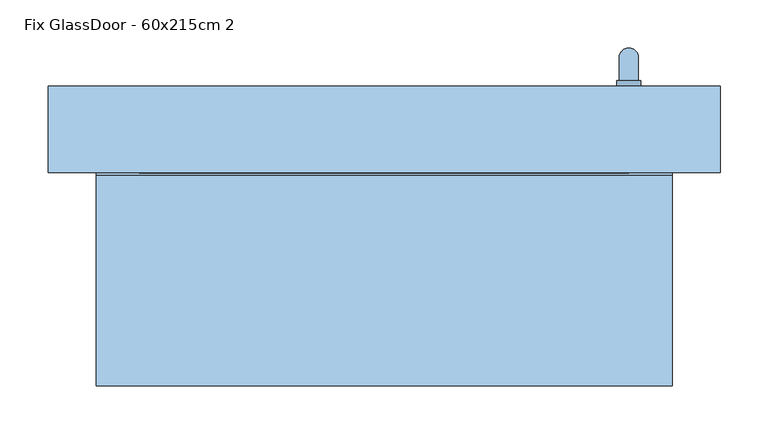
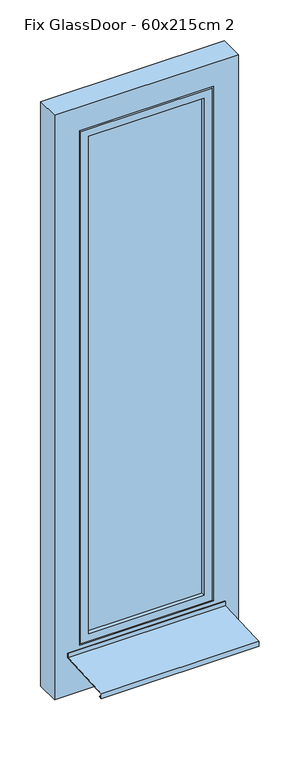
"""IFC4 building model written with IfcOpenShell, lengths in millimetres: window geometry, Fix GlassDoor - 60x215cm 2."""

from ifc_helpers import new_model, si_unit, frame, origin, place, context, project, spatial, polyline, circle_curve, ellipse_curve, outline, extrude, faceted_brep, source, transform, mapped, element, save
from ifc_brep_helpers import plane_surface, cylinder_surface, advanced_brep


def fix_glassdoor_60x215cm_2_119420f9(model_context):
    return source(origin(), model_context, "Body", "SolidModel", [
        advanced_brep(
        [(242.5, -35.0, 1087.5), (242.5, -35.0, 1070.0), (242.5, -35.0, 1052.5), (267.5, -35.0, 1052.5), (267.5, -35.0, 1070.0), (267.5, -35.0, 1087.5), (265.0, -5.0, 1070.0), (245.0, -5.0, 1070.0), (245.0, -29.0, 1070.0), (265.0, -29.0, 1070.0), (265.0, -5.0, 950.0), (245.0, -5.0, 950.0), (242.5, -29.0, 1087.5), (267.5, -29.0, 1087.5), (267.5, -29.0, 1070.0), (267.5, -29.0, 1052.5), (242.5, -29.0, 1052.5), (242.5, -29.0, 1070.0)],
        [
            (0, 1),
            (1, 2),
            (2, 3, circle_curve(frame((255.0, -35.0, 1052.5), z_axis=(0.0, -1.0, 0.0), x_axis=(-1.0, 0.0, 0.0)), 12.5)),
            (3, 4),
            (4, 5),
            (5, 0, circle_curve(frame((255.0, -35.0, 1087.5), z_axis=(0.0, -1.0, 0.0), x_axis=(-1.0, 0.0, 0.0)), 12.5)),
            (6, 7, ellipse_curve(frame((255.0, -5.0, 1070.0), z_axis=(0.0, -0.7071067811865498, 0.7071067811865451), x_axis=(0.0, -0.7071067811865452, -0.7071067811865497)), 14.1421356, 10.0)),
            (7, 8),
            (8, 9, circle_curve(frame((255.0, -29.0, 1070.0), z_axis=(0.0, 1.0, 0.0), x_axis=(-1.0, 0.0, 0.0)), 10.0)),
            (9, 6),
            (7, 6, ellipse_curve(frame((255.0, -5.0, 1070.0), z_axis=(0.0, -0.7071067811865498, 0.7071067811865451), x_axis=(0.0, -0.7071067811865452, -0.7071067811865497)), 14.1421356, 10.0)),
            (9, 8, circle_curve(frame((255.0, -29.0, 1070.0), z_axis=(0.0, 1.0, 0.0), x_axis=(-1.0, 0.0, 0.0)), 10.0)),
            (10, 11, circle_curve(frame((255.0, -5.0, 950.0), z_axis=(0.0, 0.0, -1.0), x_axis=(-1.0, 0.0, 0.0)), 10.0)),
            (11, 10, circle_curve(frame((255.0, -5.0, 950.0), z_axis=(0.0, 0.0, -1.0), x_axis=(-1.0, 0.0, 0.0)), 10.0)),
            (6, 10),
            (11, 7),
            (12, 13, circle_curve(frame((255.0, -29.0, 1087.5), z_axis=(0.0, 1.0, 0.0), x_axis=(-1.0, 0.0, 0.0)), 12.5)),
            (13, 14),
            (14, 15),
            (15, 16, circle_curve(frame((255.0, -29.0, 1052.5), z_axis=(0.0, 1.0, 0.0), x_axis=(-1.0, 0.0, 0.0)), 12.5)),
            (16, 17),
            (17, 12),
            (12, 0),
            (5, 13),
            (4, 14),
            (3, 15),
            (2, 16),
            (1, 17),
        ],
        [
            plane_surface(frame((255.0, -35.0, 1070.0), z_axis=(0.0, -1.0, 0.0), x_axis=(-1.0, 0.0, 0.0))),
            cylinder_surface(frame((255.0, -35.0, 1070.0), z_axis=(0.0, -1.0, 0.0), x_axis=(-1.0, 0.0, 0.0)), 10.0),
            plane_surface(frame((255.0, -5.0, 950.0), z_axis=(0.0, 0.0, -1.0), x_axis=(-1.0, 0.0, 0.0))),
            cylinder_surface(frame((255.0, -5.0, 1070.0), z_axis=(0.0, 0.0, 1.0), x_axis=(-1.0, 0.0, 0.0)), 10.0),
            plane_surface(frame((242.5, -29.0, 1087.5), z_axis=(0.0, 1.0, 0.0), x_axis=(0.0, 0.0, 1.0))),
            cylinder_surface(frame((255.0, -35.0, 1087.5), z_axis=(0.0, 1.0, 0.0), x_axis=(-1.0, 0.0, 0.0)), 12.5),
            plane_surface(frame((267.5, -29.0, 1087.5), z_axis=(1.0, 0.0, 0.0), x_axis=(0.0, -1.0, 0.0))),
            plane_surface(frame((267.5, -29.0, 1070.0), z_axis=(1.0, 0.0, 0.0), x_axis=(0.0, -1.0, 0.0))),
            cylinder_surface(frame((255.0, -35.0, 1052.5), z_axis=(0.0, 1.0, 0.0), x_axis=(-1.0, 0.0, 0.0)), 12.5),
            plane_surface(frame((242.5, -29.0, 1052.5), z_axis=(-1.0, 0.0, 0.0), x_axis=(0.0, -1.0, 0.0))),
            plane_surface(frame((242.5, -29.0, 1070.0), z_axis=(-1.0, 0.0, 0.0), x_axis=(0.0, -1.0, 0.0))),
        ],
        [
            (0, [[1, 2, 3, 4, 5, 6]]),
            (1, [[7, 8, 9, 10]]),
            (1, [[11, -10, 12, -8]]),
            (2, [[13, 14]]),
            (3, [[-7, 15, -14, 16]]),
            (3, [[-11, -16, -13, -15]]),
            (4, [[17, 18, 19, 20, 21, 22], [-9, -12]]),
            (5, [[-17, 23, -6, 24]]),
            (6, [[-18, -24, -5, 25]]),
            (7, [[-19, -25, -4, 26]]),
            (8, [[-20, -26, -3, 27]]),
            (9, [[-21, -27, -2, 28]]),
            (10, [[-22, -28, -1, -23]]),
        ],
    ),
        faceted_brep([(-220.0, -35.0, 2070.0), (-220.0, -125.0, 2070.0), (-220.0, -125.0, 70.0), (-220.0, -35.0, 70.0), (-250.0, -125.0, 40.0), (250.0, -125.0, 40.0), (250.0, -125.0, 2100.0), (-250.0, -125.0, 2100.0), (220.0, -125.0, 2070.0), (220.0, -125.0, 70.0), (220.0, -35.0, 70.0), (-290.0, -35.0, 2140.0), (290.0, -35.0, 2140.0), (290.0, -35.0, 0.0), (-290.0, -35.0, 0.0), (220.0, -35.0, 2070.0), (-290.0, -50.0, 2140.0), (-290.0, -50.0, 0.0), (290.0, -50.0, 0.0), (290.0, -50.0, 2140.0), (-275.0, -50.0, 2125.0), (275.0, -50.0, 2125.0), (275.0, -50.0, 15.0), (-275.0, -50.0, 15.0), (-275.0, -80.0, 2125.0), (-275.0, -80.0, 15.0), (275.0, -80.0, 15.0), (275.0, -80.0, 2125.0), (-265.0, -80.0, 2115.0), (265.0, -80.0, 2115.0), (265.0, -80.0, 25.0), (-265.0, -80.0, 25.0), (-265.0, -110.0, 2115.0), (-265.0, -110.0, 25.0), (265.0, -110.0, 25.0), (265.0, -110.0, 2115.0), (-250.0, -110.0, 2100.0), (250.0, -110.0, 2100.0), (250.0, -110.0, 40.0), (-250.0, -110.0, 40.0)], [[[0, 1, 2, 3]], [[4, 5, 6, 7], [1, 8, 9, 2]], [[3, 2, 9, 10]], [[11, 12, 13, 14], [3, 10, 15, 0]], [[16, 11, 14, 17]], [[17, 14, 13, 18]], [[17, 18, 19, 16], [20, 21, 22, 23]], [[24, 20, 23, 25]], [[25, 23, 22, 26]], [[25, 26, 27, 24], [28, 29, 30, 31]], [[32, 28, 31, 33]], [[33, 31, 30, 34]], [[33, 34, 35, 32], [36, 37, 38, 39]], [[7, 36, 39, 4]], [[4, 39, 38, 5]], [[10, 9, 8, 15]], [[18, 13, 12, 19]], [[26, 22, 21, 27]], [[34, 30, 29, 35]], [[5, 38, 37, 6]], [[15, 8, 1, 0]], [[19, 12, 11, 16]], [[27, 21, 20, 24]], [[35, 29, 28, 32]], [[6, 37, 36, 7]]]),
        extrude(outline(polyline([(-220.0, -110.0), (-220.0, -66.0), (220.0, -66.0), (220.0, -110.0), (-220.0, -110.0)])), frame((0.0, 0.0, 70.0), z_axis=(0.0, 0.0, 1.0), x_axis=(1.0, 0.0, 0.0)), (0.0, 0.0, 1.0), 2000.0),
        faceted_brep([(-300.0, -347.0, -9.0998752), (300.0, -347.0, -9.0998752), (300.0, -325.0, -7.9998752), (300.0, -127.0, 1.9001248), (-300.0, -127.0, 1.9001248), (-300.0, -325.0, -7.9998752), (-300.0, -347.0, -29.0998752), (300.0, -347.0, -29.0998752), (-300.0, -335.0, -29.0998752), (300.0, -335.0, -29.0998752), (-300.0, -335.0, -27.0998752), (300.0, -335.0, -27.0998752), (-300.0, -345.0, -27.0998752), (300.0, -345.0, -27.0998752), (-300.0, -345.0, -11.0), (300.0, -345.0, -11.0), (-300.0, -325.0, -10.0), (-300.0, -125.0, 0.0), (300.0, -125.0, 0.0), (300.0, -325.0, -10.0), (-300.0, -125.0, 20.0), (300.0, -125.0, 20.0), (-300.0, -127.0, 20.0), (300.0, -127.0, 20.0)], [[[0, 1, 2, 3, 4, 5]], [[6, 7, 1, 0]], [[8, 9, 7, 6]], [[10, 11, 9, 8]], [[12, 13, 11, 10]], [[14, 15, 13, 12]], [[16, 17, 18, 19, 15, 14]], [[20, 21, 18, 17]], [[22, 23, 21, 20]], [[4, 3, 23, 22]], [[16, 14, 12, 10, 8, 6, 0, 5]], [[19, 18, 21, 23, 3, 2]], [[5, 4, 22, 20, 17, 16]], [[2, 1, 7, 9, 11, 13, 15, 19]]]),
        faceted_brep([(350.0, -125.0, -150.0), (-350.0, -125.0, -150.0), (-350.0, -35.0, -150.0), (350.0, -35.0, -150.0), (350.0, -125.0, 2200.0), (350.0, -35.0, 2200.0), (-350.0, -35.0, 2200.0), (295.0, -35.0, 2145.0), (-295.0, -35.0, 2145.0), (-295.0, -35.0, -5.0), (295.0, -35.0, -5.0), (-350.0, -125.0, 2200.0), (255.0, -125.0, 35.0), (-255.0, -125.0, 35.0), (-255.0, -125.0, 2105.0), (255.0, -125.0, 2105.0), (255.0, -110.0, 2105.0), (255.0, -110.0, 35.0), (-255.0, -110.0, 35.0), (-255.0, -110.0, 2105.0), (295.0, -50.0, 2145.0), (295.0, -50.0, -5.0), (-295.0, -50.0, -5.0), (-295.0, -50.0, 2145.0), (280.0, -50.0, 2130.0), (-280.0, -50.0, 2130.0), (-280.0, -50.0, 10.0), (280.0, -50.0, 10.0), (280.0, -80.0, 10.0), (-280.0, -80.0, 10.0), (-280.0, -80.0, 2130.0), (280.0, -80.0, 2130.0), (270.0, -80.0, 2120.0), (-270.0, -80.0, 2120.0), (-270.0, -80.0, 20.0), (270.0, -80.0, 20.0), (270.0, -110.0, 20.0), (-270.0, -110.0, 20.0), (-270.0, -110.0, 2120.0), (270.0, -110.0, 2120.0)], [[[0, 1, 2, 3]], [[4, 0, 3, 5]], [[5, 3, 2, 6], [7, 8, 9, 10]], [[6, 2, 1, 11]], [[11, 1, 0, 4], [12, 13, 14, 15]], [[12, 15, 16, 17]], [[18, 19, 14, 13]], [[17, 18, 13, 12]], [[20, 7, 10, 21]], [[10, 9, 22, 21]], [[9, 8, 23, 22]], [[21, 22, 23, 20], [24, 25, 26, 27]], [[28, 29, 30, 31], [32, 33, 34, 35]], [[31, 24, 27, 28]], [[27, 26, 29, 28]], [[36, 37, 38, 39], [16, 19, 18, 17]], [[39, 32, 35, 36]], [[35, 34, 37, 36]], [[26, 25, 30, 29]], [[34, 33, 38, 37]], [[4, 5, 6, 11]], [[20, 23, 8, 7]], [[31, 30, 25, 24]], [[39, 38, 33, 32]], [[15, 14, 19, 16]]]),
    ])


if __name__ == "__main__":
    model = new_model("IFC4")
    model_context = context("Model", 3, world=origin())
    ifc_project = project(units=[si_unit("LENGTHUNIT", "METRE", prefix="MILLI")], contexts=[model_context])
    site = spatial("IfcSite", under=ifc_project)
    building = spatial("IfcBuilding", under=site)
    placement = place(None, origin())
    fix_glassdoor_60x215cm_2_shape = fix_glassdoor_60x215cm_2_119420f9(model_context)
    element("IfcWindow", 1, ObjectType="Fix GlassDoor - 60x215cm 2", at=placement, inside=building, context=model_context, shape_type="MappedRepresentation", body=[
        mapped(fix_glassdoor_60x215cm_2_shape, transform((0.0, 0.0, 0.0), x_axis=(1.0, 0.0, 0.0), y_axis=(0.0, 1.0, 0.0), z_axis=(0.0, 0.0, 1.0))),
    ])
    save(model, "model.ifc")
